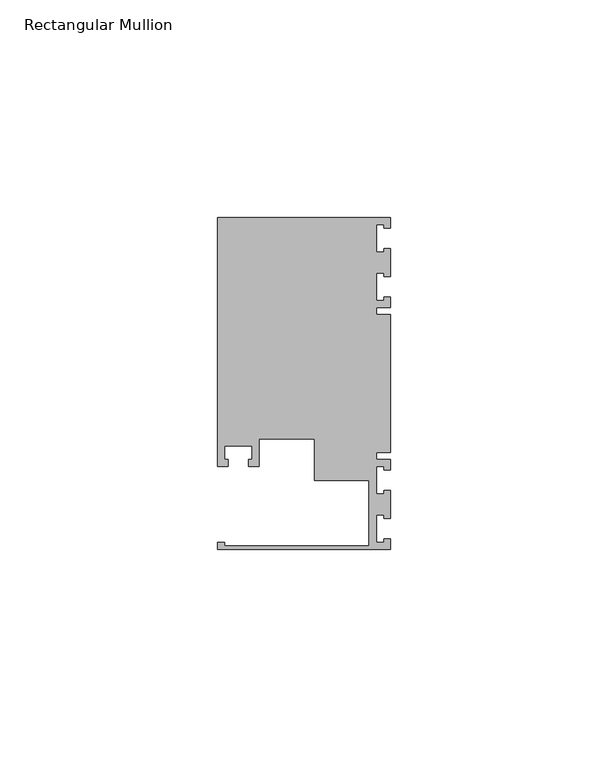
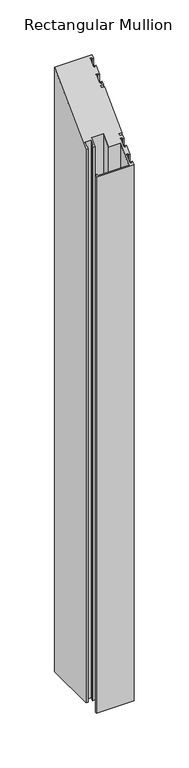
"""IFC4 building model written with IfcOpenShell, lengths in millimetres: member geometry, Rectangular Mullion."""

from ifc_helpers import new_model, si_unit, origin, place, context, project, spatial, faceted_brep, source, transform, mapped, element, save


def rectangular_mullion_f8bc7e62(model_context):
    return source(origin(), model_context, "Body", "Brep", [
        faceted_brep([(0.0, -38.1, -635.0), (-39.6875, -38.1, -635.0), (-39.6875, -36.5125, -635.0), (-38.1, -36.5125, -635.0), (-38.1, -37.30625, -635.0), (-4.8585733, -37.30625, -635.0), (-4.8585733, -22.225, -635.0), (-17.4625, -22.225, -635.0), (-17.4625, -12.6999969, -635.0), (-30.1625, -12.6999969, -635.0), (-30.1625, -19.05, -635.0), (-32.54375, -19.05, -635.0), (-32.54375, -17.4625, -635.0), (-31.75, -17.4625, -635.0), (-31.75, -14.2875, -635.0), (-38.1, -14.2875, -635.0), (-38.1, -17.4625, -635.0), (-37.30625, -17.4625, -635.0), (-37.30625, -19.05, -635.0), (-39.6875, -19.05, -635.0), (-39.6875, 38.1, -635.0), (0.0, 38.1, -635.0), (0.0, 35.71875, -635.0), (-1.4999946, 35.71875, -635.0), (-1.4999946, 36.5125, -635.0), (-3.175, 36.5125, -635.0), (-3.175, 30.1625, -635.0), (-1.4999946, 30.1625, -635.0), (-1.4999946, 30.95625, -635.0), (0.0, 30.95625, -635.0), (0.0, 24.60625, -635.0), (-1.4999946, 24.60625, -635.0), (-1.4999946, 25.4, -635.0), (-3.175, 25.4, -635.0), (-3.175, 19.05, -635.0), (-1.4999946, 19.05, -635.0), (-1.4999946, 19.84375, -635.0), (0.0, 19.84375, -635.0), (0.0, 17.4625, -635.0), (-3.175, 17.4625, -635.0), (-3.175, 15.875, -635.0), (0.0, 15.875, -635.0), (0.0, -15.875, -635.0), (-3.175, -15.875, -635.0), (-3.175, -17.4625, -635.0), (0.0, -17.4625, -635.0), (0.0, -19.84375, -635.0), (-1.4999946, -19.84375, -635.0), (-1.4999946, -19.05, -635.0), (-3.175, -19.05, -635.0), (-3.175, -25.4, -635.0), (-1.4999946, -25.4, -635.0), (-1.4999946, -24.60625, -635.0), (0.0, -24.60625, -635.0), (0.0, -30.95625, -635.0), (-1.4999946, -30.95625, -635.0), (-1.4999946, -30.1625, -635.0), (-3.175, -30.1625, -635.0), (-3.175, -36.5125, -635.0), (-1.4999946, -36.5125, -635.0), (-1.4999946, -35.71875, -635.0), (0.0, -35.71875, -635.0), (0.0, -35.71875, -35.71875), (0.0, -38.1, -38.1), (-1.4999946, -35.71875, -35.71875), (-1.4999946, -36.5125, -36.5125), (-3.175, -36.5125, -36.5125), (-3.175, -30.1625, -30.1625), (-1.4999946, -30.1625, -30.1625), (-1.4999946, -30.95625, -30.95625), (0.0, -30.95625, -30.95625), (0.0, -24.60625, -24.60625), (-1.4999946, -24.60625, -24.60625), (-1.4999946, -25.4, -25.4), (-3.175, -25.4, -25.4), (-3.175, -19.05, -19.05), (-1.4999946, -19.05, -19.05), (-1.4999946, -19.84375, -19.84375), (0.0, -19.84375, -19.84375), (0.0, -17.4625, -17.4625), (-3.175, -17.4625, -17.4625), (-3.175, -15.875, -15.875), (0.0, -15.875, -15.875), (0.0, 15.875, 15.875), (-3.175, 15.875, 15.875), (-3.175, 17.4625, 17.4625), (0.0, 17.4625, 17.4625), (0.0, 19.84375, 19.84375), (-1.4999946, 19.84375, 19.84375), (-1.4999946, 19.05, 19.05), (-3.175, 19.05, 19.05), (-3.175, 25.4, 25.4), (-1.4999946, 25.4, 25.4), (-1.4999946, 24.60625, 24.60625), (0.0, 24.60625, 24.60625), (0.0, 30.95625, 30.95625), (-1.4999946, 30.95625, 30.95625), (-1.4999946, 30.1625, 30.1625), (-3.175, 30.1625, 30.1625), (-3.175, 36.5125, 36.5125), (-1.4999946, 36.5125, 36.5125), (-1.4999946, 35.71875, 35.71875), (0.0, 35.71875, 35.71875), (0.0, 38.1, 38.1), (-39.6875, 38.1, 38.1), (-39.6875, -19.05, -19.05), (-37.30625, -19.05, -19.05), (-37.30625, -17.4625, -17.4625), (-38.1, -17.4625, -17.4625), (-38.1, -14.2875, -14.2875), (-31.75, -14.2875, -14.2875), (-31.75, -17.4625, -17.4625), (-32.54375, -17.4625, -17.4625), (-32.54375, -19.05, -19.05), (-30.1625, -19.05, -19.05), (-30.1625, -12.6999969, -12.6999969), (-17.4625, -12.6999969, -12.6999969), (-17.4625, -22.225, -22.225), (-4.8585733, -22.225, -22.225), (-4.8585733, -37.30625, -37.30625), (-38.1, -37.30625, -37.30625), (-38.1, -36.5125, -36.5125), (-39.6875, -36.5125, -36.5125), (-39.6875, -38.1, -38.1)], [[[0, 1, 2, 3, 4, 5, 6, 7, 8, 9, 10, 11, 12, 13, 14, 15, 16, 17, 18, 19, 20, 21, 22, 23, 24, 25, 26, 27, 28, 29, 30, 31, 32, 33, 34, 35, 36, 37, 38, 39, 40, 41, 42, 43, 44, 45, 46, 47, 48, 49, 50, 51, 52, 53, 54, 55, 56, 57, 58, 59, 60, 61]], [[62, 63, 0, 61]], [[64, 62, 61, 60]], [[65, 64, 60, 59]], [[66, 65, 59, 58]], [[67, 66, 58, 57]], [[68, 67, 57, 56]], [[69, 68, 56, 55]], [[70, 69, 55, 54]], [[71, 70, 54, 53]], [[72, 71, 53, 52]], [[73, 72, 52, 51]], [[74, 73, 51, 50]], [[75, 74, 50, 49]], [[76, 75, 49, 48]], [[77, 76, 48, 47]], [[78, 77, 47, 46]], [[79, 78, 46, 45]], [[80, 79, 45, 44]], [[81, 80, 44, 43]], [[82, 81, 43, 42]], [[83, 82, 42, 41]], [[84, 83, 41, 40]], [[85, 84, 40, 39]], [[86, 85, 39, 38]], [[87, 86, 38, 37]], [[88, 87, 37, 36]], [[89, 88, 36, 35]], [[90, 89, 35, 34]], [[91, 90, 34, 33]], [[92, 91, 33, 32]], [[93, 92, 32, 31]], [[94, 93, 31, 30]], [[95, 94, 30, 29]], [[96, 95, 29, 28]], [[97, 96, 28, 27]], [[98, 97, 27, 26]], [[99, 98, 26, 25]], [[100, 99, 25, 24]], [[101, 100, 24, 23]], [[102, 101, 23, 22]], [[103, 102, 22, 21]], [[104, 103, 21, 20]], [[105, 104, 20, 19]], [[106, 105, 19, 18]], [[107, 106, 18, 17]], [[108, 107, 17, 16]], [[109, 108, 16, 15]], [[110, 109, 15, 14]], [[111, 110, 14, 13]], [[112, 111, 13, 12]], [[113, 112, 12, 11]], [[114, 113, 11, 10]], [[115, 114, 10, 9]], [[116, 115, 9, 8]], [[117, 116, 8, 7]], [[118, 117, 7, 6]], [[119, 118, 6, 5]], [[120, 119, 5, 4]], [[121, 120, 4, 3]], [[122, 121, 3, 2]], [[123, 122, 2, 1]], [[63, 123, 1, 0]], [[63, 62, 64, 65, 66, 67, 68, 69, 70, 71, 72, 73, 74, 75, 76, 77, 78, 79, 80, 81, 82, 83, 84, 85, 86, 87, 88, 89, 90, 91, 92, 93, 94, 95, 96, 97, 98, 99, 100, 101, 102, 103, 104, 105, 106, 107, 108, 109, 110, 111, 112, 113, 114, 115, 116, 117, 118, 119, 120, 121, 122, 123]]]),
    ])


if __name__ == "__main__":
    model = new_model("IFC4")
    model_context = context("Model", 3, world=origin())
    ifc_project = project(units=[si_unit("LENGTHUNIT", "METRE", prefix="MILLI")], contexts=[model_context])
    site = spatial("IfcSite", under=ifc_project)
    building = spatial("IfcBuilding", under=site)
    placement = place(None, origin())
    rectangular_mullion_shape = rectangular_mullion_f8bc7e62(model_context)
    element("IfcMember", 1, ObjectType="Rectangular Mullion", at=placement, inside=building, context=model_context, shape_type="MappedRepresentation", body=[
        mapped(rectangular_mullion_shape, transform((0.0, 0.0, 0.0), x_axis=(1.0, 0.0, 0.0), y_axis=(0.0, 1.0, 0.0), z_axis=(0.0, 0.0, 1.0))),
    ])
    save(model, "model.ifc")
